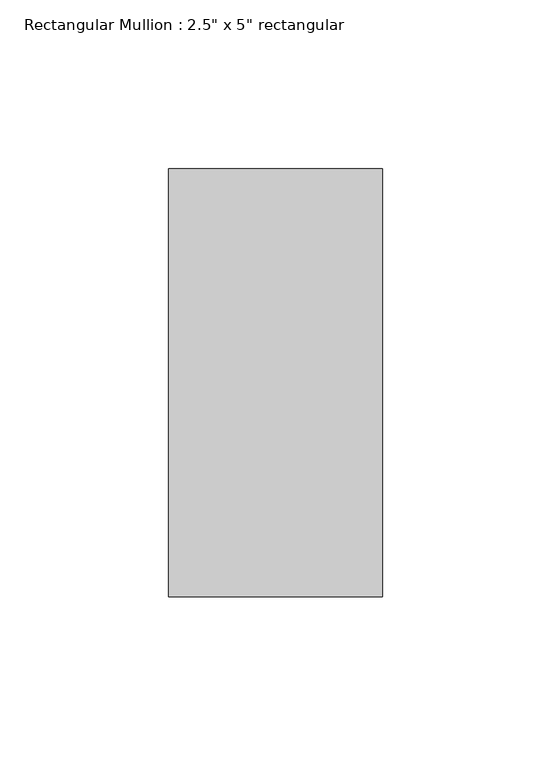
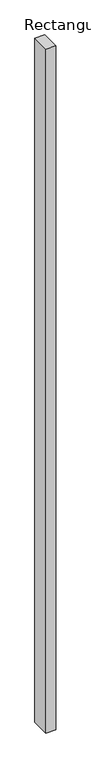
"""IFC4 building model written with IfcOpenShell, lengths in millimetres: member geometry."""

from ifc_helpers import new_model, si_unit, frame, origin, place, context, project, spatial, polyline, outline, extrude, source, transform, mapped, element, save


def member_7c2b073e(model_context):
    return source(origin(), model_context, "Body", "SweptSolid", [
        extrude(outline(polyline([(0.0, 63.5), (0.0, -63.5), (-63.5, -63.5), (-63.5, 63.5), (0.0, 63.5)])), frame((0.0, 0.0, -4781.55), z_axis=(0.0, 0.0, 1.0), x_axis=(1.0, 0.0, 0.0)), (0.0, 0.0, 1.0), 4781.55),
    ])


if __name__ == "__main__":
    model = new_model("IFC4")
    model_context = context("Model", 3, world=origin())
    ifc_project = project(units=[si_unit("LENGTHUNIT", "METRE", prefix="MILLI")], contexts=[model_context])
    site = spatial("IfcSite", under=ifc_project)
    building = spatial("IfcBuilding", under=site)
    placement = place(None, origin())
    member_shape = member_7c2b073e(model_context)
    element("IfcMember", 1, ObjectType="Rectangular Mullion : 2.5\" x 5\" rectangular", at=placement, inside=building, context=model_context, shape_type="MappedRepresentation", body=[
        mapped(member_shape, transform((0.0, 0.0, 0.0), x_axis=(1.0, 0.0, 0.0), y_axis=(0.0, 1.0, 0.0), z_axis=(0.0, 0.0, 1.0))),
    ])
    save(model, "model.ifc")
